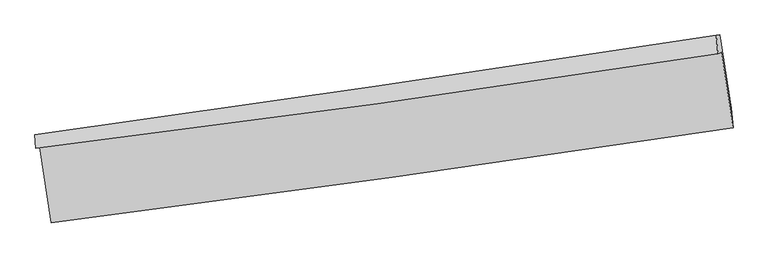
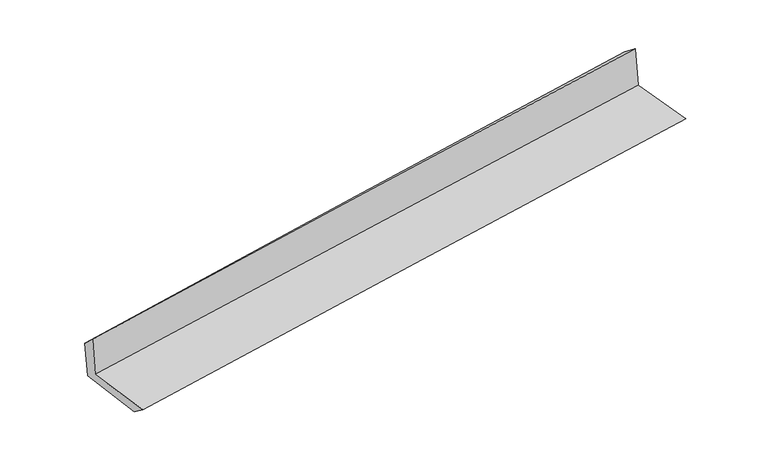
"""IFC4 building model written with IfcOpenShell, lengths in millimetres: proxy geometry."""

import ifcopenshell
import ifcopenshell.guid

model = None  # the IFC model being written
_history = None  # IfcOwnerHistory: only IFC2X3 demands one
_inside = {}  # id of a spatial element -> (the spatial element, [elements in it])
_under = {}  # id of a project, library or spatial element -> (it, [spatial elements below it])
_declared = {}  # id of a project -> (the project, [libraries it declares])
_typed = {}  # id of a type object -> (the type object, [elements of that type])
_made_of = {}  # id of a material, layer set ... -> (it, [elements and type objects made of it])


def new_model(schema):
    """Start an empty IFC model of exactly this schema.

    Asked for "IFC4X3", IfcOpenShell would pick the latest addendum, in which some entities
    have other attributes; the version numbers below select the first issue.
    IFC2X3 requires an IfcOwnerHistory on every rooted entity: one is made here for all.
    """
    global model, _history
    if schema == "IFC4X3":
        model = ifcopenshell.file(schema_version=(4, 3, 0, 0))
    else:
        model = ifcopenshell.file(schema=schema)
    _inside.clear()
    _under.clear()
    _declared.clear()
    _typed.clear()
    _made_of.clear()
    _history = None
    if model.schema == "IFC2X3":
        org = make("IfcOrganization", Name="unknown")
        user = make(
            "IfcPersonAndOrganization",
            ThePerson=make("IfcPerson", FamilyName="unknown"),
            TheOrganization=org,
        )
        app = make(
            "IfcApplication",
            ApplicationDeveloper=org,
            Version="unknown",
            ApplicationFullName="unknown",
            ApplicationIdentifier="unknown",
        )
        _history = make(
            "IfcOwnerHistory",
            OwningUser=user,
            OwningApplication=app,
            ChangeAction="ADDED",
            CreationDate=0,
        )
    return model


def make(cls, **values):
    """One entity of the class cls with the attributes given. An attribute that is None is left unset."""
    return model.create_entity(
        cls, **{name: value for name, value in values.items() if value is not None}
    )


def rooted(cls, **values):
    """An entity with a GlobalId (a new one), such as an element, a storey or a relation."""
    return make(cls, GlobalId=ifcopenshell.guid.new(), OwnerHistory=_history, **values)


def si_unit(unit_type, name, prefix=None):
    """IfcSIUnit, for example si_unit("LENGTHUNIT", "METRE", prefix="MILLI")."""
    return make("IfcSIUnit", UnitType=unit_type, Prefix=prefix, Name=name)


def assignment(units):
    """IfcUnitAssignment: the units of a project."""
    return None if units is None else make("IfcUnitAssignment", Units=units)


def point(xyz):
    """IfcCartesianPoint."""
    return None if xyz is None else make("IfcCartesianPoint", Coordinates=xyz)


def direction(xyz):
    """IfcDirection."""
    return None if xyz is None else make("IfcDirection", DirectionRatios=xyz)


def frame(location, z_axis=None, x_axis=None):
    """IfcAxis2Placement3D, a coordinate frame: its origin and axes. An axis left out is left unset."""
    return make(
        "IfcAxis2Placement3D",
        Location=point(location),
        Axis=direction(z_axis),
        RefDirection=direction(x_axis),
    )


def origin():
    """The frame at (0, 0, 0) with its axes left unset."""
    return frame((0.0, 0.0, 0.0))


def place(relative_to, where):
    """IfcLocalPlacement: puts the frame where relative to a parent placement (None: the world)."""
    return make(
        "IfcLocalPlacement", PlacementRelTo=relative_to, RelativePlacement=where
    )


def context(
    kind, dimensions, precision=None, world=None, true_north=None, identifier=None
):
    """IfcGeometricRepresentationContext, for example the 3D "Model" context."""
    return make(
        "IfcGeometricRepresentationContext",
        ContextIdentifier=identifier,
        ContextType=kind,
        CoordinateSpaceDimension=dimensions,
        Precision=precision,
        WorldCoordinateSystem=world,
        TrueNorth=true_north,
    )


def project(units=None, contexts=None):
    """IfcProject with its units and contexts."""
    return rooted(
        "IfcProject",
        Name="project",
        RepresentationContexts=contexts,
        UnitsInContext=assignment(units),
    )


def spatial(cls, under=None, at=None, **own):
    """A site, building, storey or space (cls), placed at a placement, below another one or the project."""
    s = rooted(cls, ObjectPlacement=at, **own)
    if under is not None:
        _under.setdefault(under.id(), (under, []))[1].append(s)
    return s


def shape(context_of_items, identifier, shape_type, items):
    """IfcShapeRepresentation: the items that make up one representation, for example the "Body"."""
    return make(
        "IfcShapeRepresentation",
        ContextOfItems=context_of_items,
        RepresentationIdentifier=identifier,
        RepresentationType=shape_type,
        Items=items,
    )


def source(mapping_origin, context_of_items, identifier, shape_type, items):
    """IfcRepresentationMap: a shape defined once, which mapped items show again and again."""
    return make(
        "IfcRepresentationMap",
        MappingOrigin=mapping_origin,
        MappedRepresentation=shape(context_of_items, identifier, shape_type, items),
    )


def transform(
    local_origin,
    x_axis=None,
    y_axis=None,
    z_axis=None,
    scale=None,
    scale2=None,
    scale3=None,
    uniform=True,
):
    """IfcCartesianTransformationOperator3D, or its non-uniform kind. x_axis, y_axis, z_axis: its Axis1, 2, 3."""
    if uniform:
        return make(
            "IfcCartesianTransformationOperator3D",
            Axis1=direction(x_axis),
            Axis2=direction(y_axis),
            LocalOrigin=point(local_origin),
            Scale=scale,
            Axis3=direction(z_axis),
        )
    return make(
        "IfcCartesianTransformationOperator3DnonUniform",
        Axis1=direction(x_axis),
        Axis2=direction(y_axis),
        LocalOrigin=point(local_origin),
        Scale=scale,
        Axis3=direction(z_axis),
        Scale2=scale2,
        Scale3=scale3,
    )


def mapped(mapping_source, mapping_target):
    """IfcMappedItem: shows the shape of a source again, moved by a transform."""
    return make(
        "IfcMappedItem", MappingSource=mapping_source, MappingTarget=mapping_target
    )


def made_of(thing, what):
    """Note that an element or type object is made of a material, layer set ...; save() writes the relation."""
    if what is not None:
        _made_of.setdefault(what.id(), (what, []))[1].append(thing)
    return thing


def element(
    cls,
    number,
    at=None,
    inside=None,
    cuts=None,
    type_object=None,
    material=None,
    context=None,
    identifier="Body",
    shape_type=None,
    held_by="IfcProductDefinitionShape",
    body=None,
    shapes=None,
    **own,
):
    """One element of the class cls, such as IfcWall. Its Tag is "e" and its number.

    at: its placement. inside: the storey or other place that contains it. cuts: it is an
    opening in that element (IfcRelVoidsElement). A single representation is given by context,
    identifier, shape_type and body (its items); several are given by shapes. held_by: the class
    of the entity that holds the representations. save() writes the other relations.
    """
    e = rooted(cls, Tag="e%d" % number, ObjectPlacement=at, **own)
    if body is not None:
        shapes = [shape(context, identifier, shape_type, body)]
    if shapes is not None:
        e.Representation = make(held_by, Representations=shapes)
    if inside is not None:
        _inside.setdefault(inside.id(), (inside, []))[1].append(e)
    if cuts is not None:
        rooted(
            "IfcRelVoidsElement", RelatingBuildingElement=cuts, RelatedOpeningElement=e
        )
    if type_object is not None:
        _typed.setdefault(type_object.id(), (type_object, []))[1].append(e)
    return made_of(e, material)


def aggregate(whole, parts):
    """IfcRelAggregates: a whole, such as a stair, and the parts it consists of."""
    return rooted("IfcRelAggregates", RelatingObject=whole, RelatedObjects=parts)


def save(model, path):
    """Write the relations noted so far, then the file.

    IfcRelAggregates (storeys below a building ...), IfcRelContainedInSpatialStructure (elements
    in a storey), IfcRelDefinesByType, IfcRelAssociatesMaterial and IfcRelDeclares: one each for
    every whole, place, type object, material and project.
    """
    for whole, parts in _under.values():
        aggregate(whole, parts)
    for where, things in _inside.values():
        rooted(
            "IfcRelContainedInSpatialStructure",
            RelatedElements=things,
            RelatingStructure=where,
        )
    for kind, things in _typed.values():
        rooted("IfcRelDefinesByType", RelatedObjects=things, RelatingType=kind)
    for what, things in _made_of.values():
        rooted("IfcRelAssociatesMaterial", RelatedObjects=things, RelatingMaterial=what)
    for by, libraries in _declared.values():
        rooted("IfcRelDeclares", RelatingContext=by, RelatedDefinitions=libraries)
    model.write(path)


def plane_surface(at):
    """IfcPlane: the flat surface through the origin of the frame at, square to its z axis."""
    return make("IfcPlane", Position=at)


def spline_curve(degree, points, multiplicities, knots, weights=None):
    """IfcBSplineCurveWithKnots; with weights, IfcRationalBSplineCurveWithKnots."""
    own = dict(
        Degree=degree,
        ControlPointsList=[point(p) for p in points],
        CurveForm="UNSPECIFIED",
        ClosedCurve=False,
        SelfIntersect=False,
        KnotMultiplicities=multiplicities,
        Knots=knots,
        KnotSpec="UNSPECIFIED",
    )
    if weights is None:
        return make("IfcBSplineCurveWithKnots", **own)
    return make("IfcRationalBSplineCurveWithKnots", WeightsData=weights, **own)


def spline_surface(u_degree, v_degree, points, u_multiplicities, v_multiplicities, u_knots, v_knots, weights=None):
    """IfcBSplineSurfaceWithKnots; with weights, IfcRationalBSplineSurfaceWithKnots. points: one row for each step in u."""
    own = dict(
        UDegree=u_degree,
        VDegree=v_degree,
        ControlPointsList=[[point(p) for p in row] for row in points],
        SurfaceForm="UNSPECIFIED",
        UClosed=False,
        VClosed=False,
        SelfIntersect=False,
        UMultiplicities=u_multiplicities,
        VMultiplicities=v_multiplicities,
        UKnots=u_knots,
        VKnots=v_knots,
        KnotSpec="UNSPECIFIED",
    )
    if weights is None:
        return make("IfcBSplineSurfaceWithKnots", **own)
    return make("IfcRationalBSplineSurfaceWithKnots", WeightsData=weights, **own)


def advanced_brep(points, edges, surfaces, faces):
    """IfcAdvancedBrep: a solid bounded by faces that lie on surfaces and meet in shared edges.

    An edge is (start, end): straight between two places in points (the first is 0);
    or (start, end, curve); or (start, end, curve, False) where it runs against its curve.
    A face is (place in surfaces, loops), or (place, loops, False) where it looks against
    its surface's normal. A loop lists edges by number (the first is 1), with a minus sign
    where the edge is run from its end to its start. The first loop is the outer one.
    """
    corners = [point(p) for p in points]
    vertices = [make("IfcVertexPoint", VertexGeometry=c) for c in corners]
    made = []
    for start, end, *more in edges:
        made.append(
            make(
                "IfcEdgeCurve",
                EdgeStart=vertices[start],
                EdgeEnd=vertices[end],
                EdgeGeometry=more[0] if more else make("IfcPolyline", Points=[corners[start], corners[end]]),
                SameSense=more[1] if len(more) > 1 else True,
            )
        )
    hull = []
    for where, loops, *sense in faces:
        bounds = []
        for j, loop in enumerate(loops):
            ring = [make("IfcOrientedEdge", EdgeElement=made[abs(k) - 1], Orientation=k > 0) for k in loop]
            bounds.append(
                make(
                    "IfcFaceOuterBound" if j == 0 else "IfcFaceBound",
                    Bound=make("IfcEdgeLoop", EdgeList=ring),
                    Orientation=True,
                )
            )
        hull.append(make("IfcAdvancedFace", Bounds=bounds, FaceSurface=surfaces[where], SameSense=sense[0] if sense else True))
    return make("IfcAdvancedBrep", Outer=make("IfcClosedShell", CfsFaces=hull))


def generic_models_b22c6b77(model_context):
    return source(origin(), model_context, "Body", "AdvancedBrep", [
        advanced_brep(
        [(-3007.431972, -1907.5566359, 1630.6390144), (-2906.4694487, -2569.5457007, 1618.6793802), (3058.9930088, -1738.2646161, 2132.9051322), (2959.6837382, -1077.0919628, 2127.2445039), (-3039.6026289, -1919.5325477, 2021.9462985), (2925.8645287, -1089.681568, 2538.603931), (-3048.3808422, -1798.4451142, 1912.5483415), (2912.5344117, -926.9764239, 2409.2816515), (-3017.4267111, -1798.0009647, 1555.2971342), (2944.0540094, -926.0953422, 2044.7587863), (-2917.8519785, -2437.1695491, 1519.6500608), (3044.3583035, -1567.16177, 2004.0089119)],
        [
            (0, 1),
            (1, 2, spline_curve(3, [(-2906.4694487, -2569.5457007, 1618.6793802), (-1911.988066259, -2441.706516059, 1719.890943437), (-917.609908569, -2308.511158307, 1813.349972223), (1070.87756426, -2031.416791102, 1984.757583309), (2064.986892566, -1887.51845411, 2062.707138247), (3058.9930088, -1738.2646161, 2132.9051322)], [4, 2, 4], [0.0, 9.917005315100527, 19.833388316606037])),
            (2, 3),
            (3, 0, spline_curve(3, [(2959.6837382, -1077.0919628, 2127.2445039), (1965.617262595, -1224.179221523, 2053.975380018), (971.339991262, -1366.926205041, 1975.95847456), (-1017.698552261, -1643.748307425, 1810.42390725), (-2012.459851179, -1777.822881771, 1722.905649414), (-3007.431972, -1907.5566359, 1630.6390144)], [4, 2, 4], [0.0, 9.91638300150551, 19.833388316606037])),
            (4, 0),
            (3, 5),
            (5, 4, spline_curve(3, [(2925.8645287, -1089.681568, 2538.603931), (1932.37197303, -1242.436830936, 2468.578247804), (938.519041768, -1387.966767431, 2390.512207096), (-1049.969965325, -1664.584667828, 2218.294005201), (-2044.606086628, -1795.671724187, 2124.14083559), (-3039.6026289, -1919.5325477, 2021.9462985)], [4, 2, 4], [0.0, 9.916450165510811, 19.83352264883159])),
            (6, 4),
            (5, 7),
            (7, 6, spline_curve(3, [(2912.5344117, -926.9764239, 2409.2816515), (1919.071563335, -1081.283009767, 2341.61057703), (925.612787382, -1231.056557238, 2266.382133134), (-1061.358964332, -1521.546689891, 2100.80531155), (-2054.871939692, -1662.262705591, 2010.455985537), (-3048.3808422, -1798.4451142, 1912.5483415)], [4, 2, 4], [0.0, 9.916218801977662, 19.833059907245815])),
            (8, 6),
            (7, 9),
            (9, 8, spline_curve(3, [(2944.0540094, -926.0953422, 2044.7587863), (1951.529888137, -1080.117522819, 1965.782591589), (958.493371452, -1229.785271786, 1885.507343497), (-1028.666804315, -1520.421025912, 1722.353622818), (-2022.790527828, -1661.388484452, 1639.474986505), (-3017.4267111, -1798.0009647, 1555.2971342)], [4, 2, 4], [0.0, 9.91579040669203, 19.832203089790134])),
            (10, 8),
            (9, 11),
            (11, 10, spline_curve(3, [(3044.3583035, -1567.16177, 2004.0089119), (2051.469405525, -1720.235038796, 1927.584090871), (1058.189701482, -1869.270173445, 1849.009776827), (-929.213676575, -2159.273273402, 1687.557096261), (-1923.337400116, -2300.240731833, 1604.678460182), (-2917.8519785, -2437.1695491, 1519.6500608)], [4, 2, 4], [0.0, 9.915770573928981, 19.832163423019406])),
            (1, 10),
            (11, 2),
        ],
        [
            spline_surface(3, 3, [[(-3007.431972, -1907.5566359, 1630.6390144), (-2012.459851198, -1777.822881648, 1722.905649451), (-1017.698552289, -1643.748307465, 1810.423907293), (971.339991289, -1366.926205002, 1975.958474518), (1965.617262508, -1224.179221462, 2053.97537988), (2959.6837382, -1077.0919628, 2127.2445039)], [(-2973.777797578, -2128.219657502, 1626.652469673), (-1978.969256225, -1999.117426435, 1721.900747412), (-984.335671039, -1865.335924415, 1811.399262273), (1004.519182307, -1588.423067084, 1978.891510777), (1998.740472518, -1445.292298988, 2056.885966072), (2992.786828426, -1297.482847224, 2129.131380032)], [(-2940.123623122, -2348.882679098, 1622.665924927), (-1945.47866122, -2220.411971216, 1720.895845354), (-950.972789846, -2086.923541288, 1812.374617255), (1037.698373269, -1809.919929089, 1981.824547037), (2031.86368245, -1666.405376541, 2059.796552169), (3025.889918574, -1517.873731676, 2131.018256068)], [(-2906.4694487, -2569.5457007, 1618.6793802), (-1911.988066247, -2441.706516003, 1719.890943315), (-917.609908597, -2308.511158238, 1813.349972235), (1070.877564288, -2031.416791171, 1984.757583296), (2064.98689246, -1887.518454067, 2062.707138361), (3058.9930088, -1738.2646161, 2132.9051322)]], [4, 4], [4, 2, 4], [0.0, 2.205070320966559], [0.0, 9.917005315100527, 19.833388316606037]),
            spline_surface(3, 3, [[(-3039.6026289, -1919.5325477, 2021.9462985), (-2044.606086649, -1795.671724295, 2124.140835457), (-1049.969965425, -1664.584667689, 2218.294005344), (938.519041868, -1387.96676757, 2390.512206954), (1932.371973192, -1242.436830923, 2468.578247957), (2925.8645287, -1089.681568, 2538.603931)], [(-3028.87907659, -1915.540577091, 1891.510537122), (-2033.890674822, -1789.722110071, 1990.395773443), (-1039.212827713, -1657.639214261, 2082.337306004), (949.459358342, -1380.953246694, 2252.327629486), (1943.453736282, -1236.350961095, 2330.377291929), (2937.137598519, -1085.485032926, 2401.484121965)], [(-3018.15552431, -1911.548606509, 1761.074775778), (-2023.175263025, -1783.772495872, 1856.650711465), (-1028.455690001, -1650.693760893, 1946.380606632), (960.399674815, -1373.939725878, 2114.143051986), (1954.535499417, -1230.265091289, 2192.176335908), (2948.410668381, -1081.288497874, 2264.364312935)], [(-3007.431972, -1907.5566359, 1630.6390144), (-2012.459851198, -1777.822881648, 1722.905649451), (-1017.698552289, -1643.748307465, 1810.423907293), (971.339991289, -1366.926205002, 1975.958474518), (1965.617262508, -1224.179221462, 2053.97537988), (2959.6837382, -1077.0919628, 2127.2445039)]], [4, 4], [4, 2, 4], [0.0, 1.355081161456773], [0.0, 9.917072483320778, 19.83352264883159]),
            spline_surface(3, 3, [[(-3048.3808422, -1798.4451142, 1912.5483415), (-2054.871939818, -1662.262705751, 2010.455985482), (-1061.358964379, -1521.546689755, 2100.805311617), (925.612787429, -1231.056557374, 2266.382133068), (1919.071563295, -1081.283009893, 2341.610576888), (2912.5344117, -926.9764239, 2409.2816515)], [(-3045.454771084, -1838.807592049, 1949.014327194), (-2051.449988746, -1706.732378615, 2048.350935501), (-1057.562631405, -1569.226015753, 2139.968209511), (929.914872233, -1283.359960794, 2307.758824348), (1923.505033272, -1135.00095024, 2383.933133887), (2916.977784045, -981.211471937, 2452.389077976)], [(-3042.528700016, -1879.170069851, 1985.480312806), (-2048.028037721, -1751.202051431, 2086.245885438), (-1053.7662984, -1616.90534169, 2179.13110745), (934.216957065, -1335.663364151, 2349.135515674), (1927.938503215, -1188.718890576, 2426.255690957), (2921.421156355, -1035.446519963, 2495.496504524)], [(-3039.6026289, -1919.5325477, 2021.9462985), (-2044.606086649, -1795.671724295, 2124.140835457), (-1049.969965425, -1664.584667689, 2218.294005344), (938.519041868, -1387.96676757, 2390.512206954), (1932.371973192, -1242.436830923, 2468.578247957), (2925.8645287, -1089.681568, 2538.603931)]], [4, 4], [4, 2, 4], [0.0, 0.6330790042558434], [0.0, 9.916841105268153, 19.833059907245815]),
            spline_surface(3, 3, [[(-3017.4267111, -1798.0009647, 1555.2971342), (-2022.790527771, -1661.388484422, 1639.474986519), (-1028.666804364, -1520.42102587, 1722.353622653), (958.493371502, -1229.785271828, 1885.507343662), (1951.529888235, -1080.11752286, 1965.782591506), (2944.0540094, -926.0953422, 2044.7587863)], [(-3027.744754795, -1798.149014536, 1674.380869971), (-2033.484331782, -1661.679891535, 1763.135319511), (-1039.564191031, -1520.79624714, 1848.504185628), (947.533176816, -1230.209033652, 2012.465606784), (1940.710446577, -1080.506018553, 2091.058586632), (2933.547476822, -926.389036115, 2166.266408032)], [(-3038.062798505, -1798.297064364, 1793.464605729), (-2044.178135807, -1661.971298638, 1886.79565249), (-1050.461577713, -1521.171468484, 1974.654748642), (936.572982115, -1230.63279555, 2139.423869945), (1929.891004953, -1080.8945142, 2216.334581761), (2923.040944278, -926.682729985, 2287.774029768)], [(-3048.3808422, -1798.4451142, 1912.5483415), (-2054.871939818, -1662.262705751, 2010.455985482), (-1061.358964379, -1521.546689755, 2100.805311617), (925.612787429, -1231.056557374, 2266.382133068), (1919.071563295, -1081.283009893, 2341.610576888), (2912.5344117, -926.9764239, 2409.2816515)]], [4, 4], [4, 2, 4], [0.0, 1.2502561528706075], [0.0, 9.916412683098104, 19.832203089790134]),
            spline_surface(3, 3, [[(-2917.8519785, -2437.1695491, 1519.6500608), (-1923.337400195, -2300.240731819, 1604.678460029), (-929.213676688, -2159.273273367, 1687.557096263), (1058.189701595, -1869.27017348, 1849.009776825), (2051.469405417, -1720.235038904, 1927.584090975), (3044.3583035, -1567.16177, 2004.0089119)], [(-2951.043556055, -2224.113354271, 1531.532418591), (-1956.488442742, -2087.289982657, 1616.277302184), (-962.364719236, -1946.322524205, 1699.155938417), (1024.957591575, -1656.1085396, 1861.175632462), (2018.156233012, -1506.862533539, 1940.316924513), (3010.923538789, -1353.472960716, 2017.592203394)], [(-2984.235133545, -2011.057159529, 1543.414776409), (-1989.639485224, -1874.339233584, 1627.876144365), (-995.515761817, -1733.371775032, 1710.754780498), (991.725481522, -1442.946905708, 1873.341488025), (1984.84306064, -1293.490028225, 1953.049757968), (2977.488774111, -1139.784151484, 2031.175494806)], [(-3017.4267111, -1798.0009647, 1555.2971342), (-2022.790527771, -1661.388484422, 1639.474986519), (-1028.666804364, -1520.42102587, 1722.353622653), (958.493371502, -1229.785271828, 1885.507343662), (1951.529888235, -1080.11752286, 1965.782591506), (2944.0540094, -926.0953422, 2044.7587863)]], [4, 4], [4, 2, 4], [0.0, 2.125524162035081], [0.0, 9.916392849090425, 19.832163423019406]),
            spline_surface(3, 3, [[(-2906.4694487, -2569.5457007, 1618.6793802), (-1911.988066247, -2441.706516003, 1719.890943315), (-917.609908597, -2308.511158238, 1813.349972235), (1070.877564288, -2031.416791171, 1984.757583296), (2064.98689246, -1887.518454067, 2062.707138361), (3058.9930088, -1738.2646161, 2132.9051322)], [(-2910.263625297, -2525.420316851, 1585.66960705), (-1915.77117756, -2394.551254626, 1681.486782203), (-921.477831319, -2258.765196609, 1771.419013571), (1066.648276698, -1977.367918602, 1939.508314466), (2060.481063445, -1831.757315693, 2017.666122533), (3054.1147737, -1681.230334081, 2089.939725401)], [(-2914.057801903, -2481.294932949, 1552.65983395), (-1919.554288882, -2347.395993196, 1643.082621141), (-925.345753966, -2209.019234996, 1729.488054927), (1062.418989185, -1923.319046049, 1894.259045655), (2055.975234431, -1775.996177277, 1972.625106803), (3049.2365386, -1624.196052019, 2046.974318699)], [(-2917.8519785, -2437.1695491, 1519.6500608), (-1923.337400195, -2300.240731819, 1604.678460029), (-929.213676688, -2159.273273367, 1687.557096263), (1058.189701595, -1869.27017348, 1849.009776825), (2051.469405417, -1720.235038904, 1927.584090975), (3044.3583035, -1567.16177, 2004.0089119)]], [4, 4], [4, 2, 4], [0.0, 0.6682634489544719], [0.0, 9.916633586196308, 19.832644882124395]),
            plane_surface(frame((2974.248, -1220.8786139, 2209.4671528), z_axis=(0.9851741515024313, 0.14870725168581514, 0.08554556977141693), x_axis=(-0.08614639726515211, -0.002408089681396752, 0.996279578904597))),
            plane_surface(frame((-2989.5272636, -2071.7084187, 1709.7933716), z_axis=(-0.9851741515024239, -0.14870725168585852, -0.08554556977142569), x_axis=(-0.15074642680320433, 0.9884111734982871, 0.017856844900631632))),
        ],
        [
            (0, [[1, 2, 3, 4]]),
            (1, [[5, -4, 6, 7]]),
            (2, [[8, -7, 9, 10]]),
            (3, [[11, -10, 12, 13]]),
            (4, [[14, -13, 15, 16]]),
            (5, [[17, -16, 18, -2]]),
            (6, [[-12, -9, -6, -3, -18, -15]]),
            (7, [[-1, -5, -8, -11, -14, -17]]),
        ],
    ),
    ])


if __name__ == "__main__":
    model = new_model("IFC4")
    model_context = context("Model", 3, world=origin())
    ifc_project = project(units=[si_unit("LENGTHUNIT", "METRE", prefix="MILLI")], contexts=[model_context])
    site = spatial("IfcSite", under=ifc_project)
    building = spatial("IfcBuilding", under=site)
    placement = place(None, origin())
    generic_models_shape = generic_models_b22c6b77(model_context)
    element("IfcBuildingElementProxy", 1, Name="Generic Models", at=placement, inside=building, context=model_context, shape_type="MappedRepresentation", body=[
        mapped(generic_models_shape, transform((0.0, 0.0, 0.0), x_axis=(1.0, 0.0, 0.0), y_axis=(0.0, 1.0, 0.0), z_axis=(0.0, 0.0, 1.0))),
    ])
    save(model, "model.ifc")
